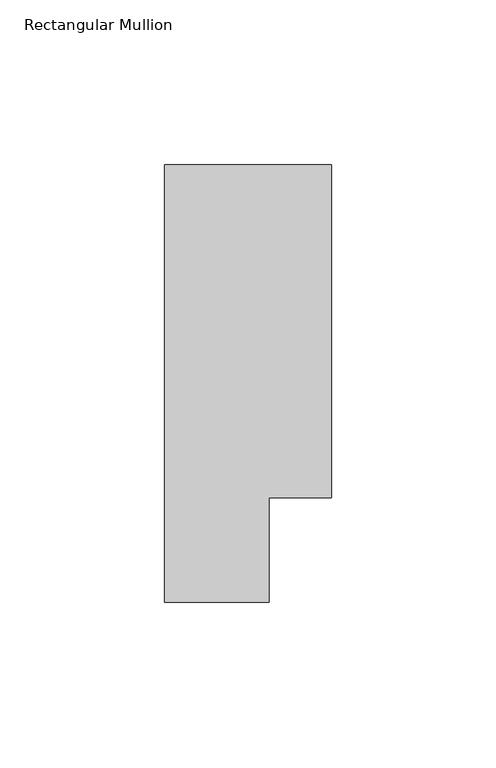
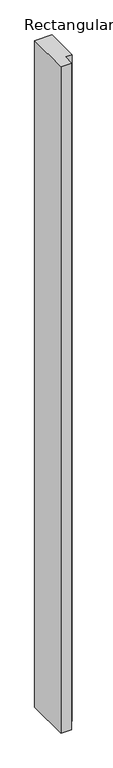
"""IFC4 building model written with IfcOpenShell, lengths in millimetres: member geometry, Rectangular Mullion."""

from ifc_helpers import new_model, si_unit, frame, origin, place, context, project, spatial, polyline, outline, extrude, source, transform, mapped, element, save


def rectangular_mullion_224f7bbd(model_context):
    return source(origin(), model_context, "Body", "SweptSolid", [
        extrude(outline(polyline([(6.35, 51.2960937), (6.35, 19.5460938), (-25.4, 19.5460938), (-25.4, 152.4988119), (25.4, 152.4988119), (25.4, 51.2960937), (6.35, 51.2960937)])), frame((0.0, 0.0, -2070.1), z_axis=(0.0, 0.0, 1.0), x_axis=(1.0, 0.0, 0.0)), (0.0, 0.0, 1.0), 2070.1),
    ])


if __name__ == "__main__":
    model = new_model("IFC4")
    model_context = context("Model", 3, world=origin())
    ifc_project = project(units=[si_unit("LENGTHUNIT", "METRE", prefix="MILLI")], contexts=[model_context])
    site = spatial("IfcSite", under=ifc_project)
    building = spatial("IfcBuilding", under=site)
    placement = place(None, origin())
    rectangular_mullion_shape = rectangular_mullion_224f7bbd(model_context)
    element("IfcMember", 1, ObjectType="Rectangular Mullion", at=placement, inside=building, context=model_context, shape_type="MappedRepresentation", body=[
        mapped(rectangular_mullion_shape, transform((0.0, 0.0, 0.0), x_axis=(1.0, 0.0, 0.0), y_axis=(0.0, 1.0, 0.0), z_axis=(0.0, 0.0, 1.0))),
    ])
    save(model, "model.ifc")
